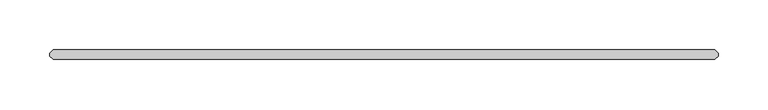
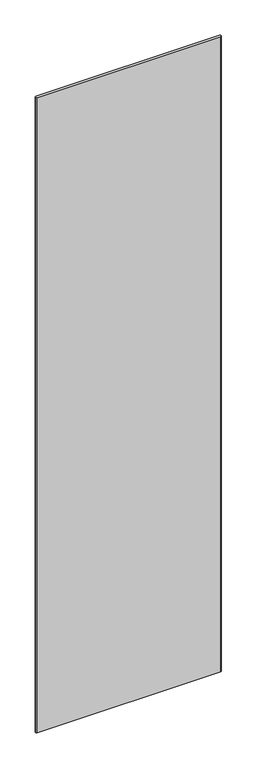
"""IFC4 building model written with IfcOpenShell, lengths in millimetres: plate geometry."""

from ifc_helpers import new_model, si_unit, origin, origin_with_axes, place, context, project, spatial, polyline, outline, extrude, source, transform, mapped, element, save


def plate_3e336331(model_context):
    return source(origin(), model_context, "Body", "SweptSolid", [
        extrude(outline(polyline([(349.646875, -4.7625), (-313.928125, -4.7625), (-317.103125, -1.5875), (-317.103125, 1.5875), (-313.928125, 4.7625), (349.646875, 4.7625), (352.821875, 1.5875), (352.821875, -1.5875), (349.646875, -4.7625)])), origin_with_axes(), (0.0, 0.0, 1.0), 2427.1914267),
    ])


if __name__ == "__main__":
    model = new_model("IFC4")
    model_context = context("Model", 3, world=origin())
    ifc_project = project(units=[si_unit("LENGTHUNIT", "METRE", prefix="MILLI")], contexts=[model_context])
    site = spatial("IfcSite", under=ifc_project)
    building = spatial("IfcBuilding", under=site)
    placement = place(None, origin())
    plate_shape = plate_3e336331(model_context)
    element("IfcPlate", 1, at=placement, inside=building, context=model_context, shape_type="MappedRepresentation", body=[
        mapped(plate_shape, transform((0.0, 0.0, 0.0), x_axis=(1.0, 0.0, 0.0), y_axis=(0.0, 1.0, 0.0), z_axis=(0.0, 0.0, 1.0))),
    ])
    save(model, "model.ifc")
